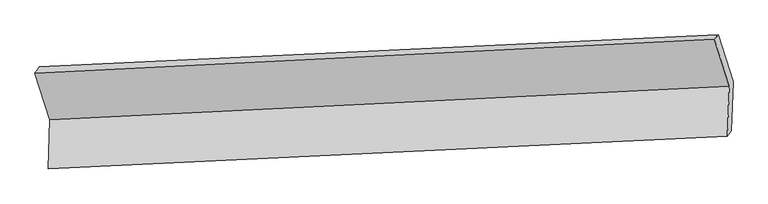
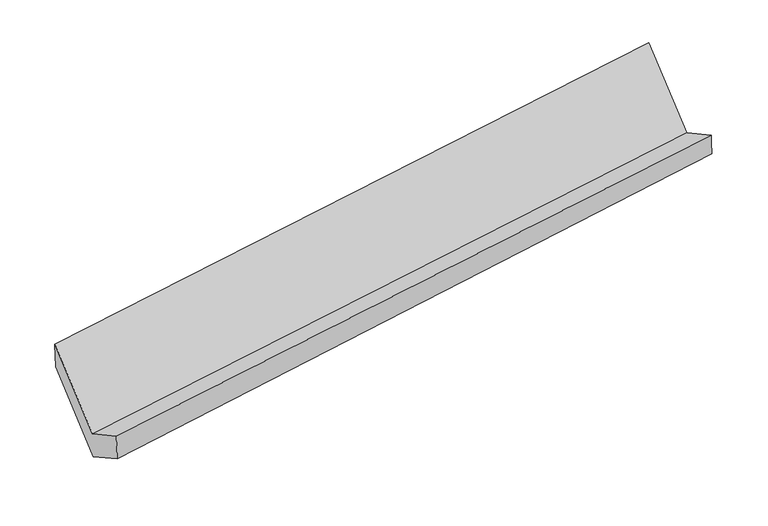
"""IFC4 building model written with IfcOpenShell, lengths in millimetres: proxy geometry."""

from ifc_helpers import new_model, si_unit, frame, origin, place, context, project, spatial, source, transform, mapped, element, save
from ifc_brep_helpers import plane_surface, spline_surface, advanced_brep


def generic_models_d1d0dab3(model_context):
    return source(origin(), model_context, "Body", "AdvancedBrep", [
        advanced_brep(
        [(-5194.2341647, -1635.0860033, 1441.635608), (-5206.7132636, -1974.8131879, 1632.5136878), (-492.1607345, -1749.9679678, 2300.0698797), (-479.3615585, -1401.5271004, 2104.2959565), (-5174.9560508, -1932.6578479, 1411.4533851), (-465.7082396, -1710.5936068, 2114.5641283), (-5162.4769519, -1592.9306633, 1220.5753053), (-453.2291407, -1370.8664222, 1923.6860485), (-5265.9992624, -1267.8782186, 1792.3396838), (-556.7514512, -1045.8139776, 2495.450427), (-5297.7564752, -1310.0335587, 2013.3999865), (-582.8838689, -1076.4746557, 2676.0603351)],
        [
            (0, 1),
            (1, 2),
            (2, 3),
            (3, 0),
            (1, 4),
            (4, 5),
            (5, 2),
            (4, 6),
            (6, 7),
            (7, 5),
            (6, 8),
            (8, 9),
            (9, 7),
            (8, 10),
            (10, 11),
            (11, 9),
            (10, 0),
            (3, 11),
        ],
        [
            plane_surface(frame((-5200.4737141, -1804.9495956, 1537.0746479), z_axis=(-0.1451207835781558, 0.48869618352728866, 0.8602999467508555), x_axis=(-0.03200771538403944, -0.8713682870215881, 0.48958432831225085))),
            spline_surface(1, 1, [[(-5206.7132636, -1974.8131879, 1632.5136878), (-492.1607345, -1749.9679678, 2300.0698797)], [(-5174.9560508, -1932.6578479, 1411.4533851), (-465.7082396, -1710.5936068, 2114.5641283)]], [2, 2], [2, 2], [0.0, 1.0], [0.0, 1.0]),
            plane_surface(frame((-5168.7165014, -1762.7942556, 1316.0143452), z_axis=(0.15134144613417402, -0.4884126623653467, -0.8593886419561356), x_axis=(0.03200771538403957, 0.8713682870215872, -0.48958432831225235))),
            plane_surface(frame((-5214.2381072, -1430.404441, 1506.4574945), z_axis=(0.03200771538403783, 0.87136828702159, -0.4895843283122475), x_axis=(-0.15548545226776114, 0.4882128899400481, 0.8587621604550799))),
            spline_surface(1, 1, [[(-5265.9992624, -1267.8782186, 1792.3396838), (-556.7514512, -1045.8139776, 2495.450427)], [(-5297.7564752, -1310.0335587, 2013.3999865), (-582.8838689, -1076.4746557, 2676.0603351)]], [2, 2], [2, 2], [0.0, 1.0], [0.0, 1.0]),
            plane_surface(frame((-5245.9953199, -1472.559781, 1727.5177972), z_axis=(-0.02579319363863443, -0.8710449275665473, 0.4905256826329366), x_axis=(0.15548545226776778, -0.4882128899400587, -0.8587621604550726))),
            plane_surface(frame((-505.0158323, -1392.5406218, 2269.0211292), z_axis=(0.9873194925093806, 0.04863622589639769, 0.15111167142737097), x_axis=(-0.1412193475114406, -0.16569002540036568, 0.9760142987534912))),
            plane_surface(frame((-5217.0226948, -1618.8999133, 1585.3196094), z_axis=(-0.9873194925093813, -0.048636225896397, -0.15111167142736692), x_axis=(-0.1554854522677643, 0.48821288994004775, 0.8587621604550795))),
        ],
        [
            (0, [[1, 2, 3, 4]]),
            (1, [[5, 6, 7, -2]]),
            (2, [[8, 9, 10, -6]]),
            (3, [[11, 12, 13, -9]]),
            (4, [[14, 15, 16, -12]]),
            (5, [[17, -4, 18, -15]]),
            (6, [[-16, -18, -3, -7, -10, -13]]),
            (7, [[-17, -14, -11, -8, -5, -1]]),
        ],
    ),
    ])


if __name__ == "__main__":
    model = new_model("IFC4")
    model_context = context("Model", 3, world=origin())
    ifc_project = project(units=[si_unit("LENGTHUNIT", "METRE", prefix="MILLI")], contexts=[model_context])
    site = spatial("IfcSite", under=ifc_project)
    building = spatial("IfcBuilding", under=site)
    placement = place(None, origin())
    generic_models_shape = generic_models_d1d0dab3(model_context)
    element("IfcBuildingElementProxy", 1, Name="Generic Models", at=placement, inside=building, context=model_context, shape_type="MappedRepresentation", body=[
        mapped(generic_models_shape, transform((0.0, 0.0, 0.0), x_axis=(1.0, 0.0, 0.0), y_axis=(0.0, 1.0, 0.0), z_axis=(0.0, 0.0, 1.0))),
    ])
    save(model, "model.ifc")
